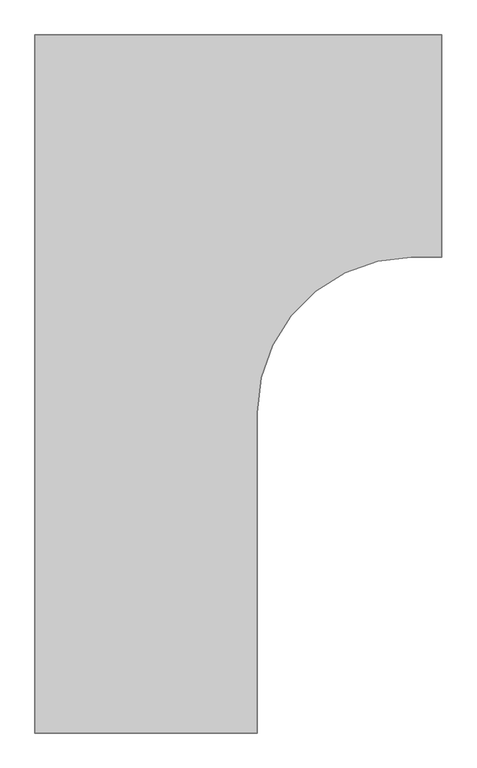
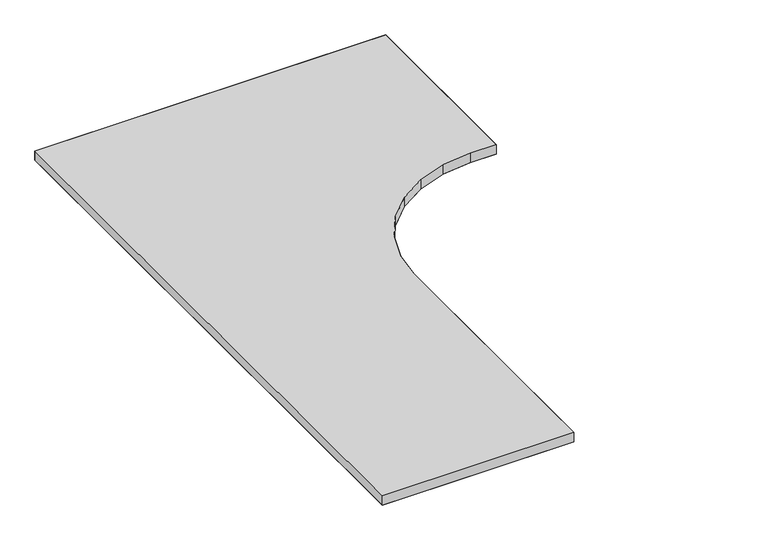
"""IFC4 building model written with IfcOpenShell, lengths in millimetres: furniture geometry."""

from ifc_helpers import new_model, si_unit, origin, place, context, project, spatial, triangles, source, transform, mapped, element, save


def furniture_a078d0db(model_context):
    return source(origin(), model_context, "Body", "Tessellation", [
        triangles([(1.524, -1.524, 725.4240349), (1065.2759651, -1.524, 725.4240349), (1065.2759651, -1.524, 695.5536198), (1.524, -1.524, 695.5536198), (812.7456671, -622.9222246, 695.5536198), (812.7456671, -622.9222246, 725.4240349), (735.68976, -671.3396908, 725.4240349), (735.68976, -671.3396908, 695.5536198), (671.3396908, -735.68976, 725.4240349), (671.3396908, -735.68976, 695.5536198), (986.027968, -582.6759893, 695.5536198), (986.027968, -582.6759893, 725.4240349), (898.6434763, -592.865302, 725.4240349), (898.6434763, -592.865302, 695.5536198), (622.9222246, -812.7456671, 695.5536198), (622.9222246, -812.7456671, 725.4240349), (592.865302, -898.6434763, 725.4240349), (592.865302, -898.6434763, 695.5536198), (582.6759893, -989.0759651, 725.4240349), (582.6759893, -989.0759651, 695.5536198), (1065.2759651, -582.6759893, 695.5536198), (1065.2759651, -582.6759893, 725.4240349), (582.6759893, -1827.2759651, 725.4240349), (582.6759893, -1827.2759651, 695.5536198), (1.524, -1827.2759651, 725.4240349), (1.524, -1827.2759651, 695.5536198)], [[1, 2, 3], [1, 3, 4], [5, 6, 7], [5, 7, 8], [8, 7, 9], [8, 9, 10], [11, 12, 13], [11, 13, 14], [14, 13, 6], [14, 6, 5], [15, 16, 17], [15, 17, 18], [18, 17, 19], [18, 19, 20], [10, 9, 16], [10, 16, 15], [21, 22, 12], [21, 12, 11], [19, 23, 20], [23, 24, 20], [25, 26, 24], [25, 24, 23], [3, 2, 22], [3, 22, 21], [4, 26, 25], [4, 25, 1]], closed=False),
        triangles([(1.524, -1.524, 695.5536198), (812.7456671, -622.9222246, 695.5536198), (735.68976, -671.3396908, 695.5536198), (671.3396908, -735.68976, 695.5536198), (986.027968, -582.6759893, 695.5536198), (898.6434763, -592.865302, 695.5536198), (622.9222246, -812.7456671, 695.5536198), (592.865302, -898.6434763, 695.5536198), (582.6759893, -989.0759651, 695.5536198), (295.147991, -499.8719956, 695.5536198), (1065.2759651, -1.524, 695.5536198), (1065.2759651, -582.6759893, 695.5536198), (582.6759893, -1827.2759651, 695.5536198), (1.524, -1827.2759651, 695.5536198), (735.68976, -671.3396908, 725.4240349), (812.7456671, -622.9222246, 725.4240349), (1.524, -1.524, 725.4240349), (671.3396908, -735.68976, 725.4240349), (898.6434763, -592.865302, 725.4240349), (986.027968, -582.6759893, 725.4240349), (622.9222246, -812.7456671, 725.4240349), (592.865302, -898.6434763, 725.4240349), (582.6759893, -989.0759651, 725.4240349), (295.147991, -499.8719956, 725.4240349), (1065.2759651, -582.6759893, 725.4240349), (1065.2759651, -1.524, 725.4240349), (1.524, -1827.2759651, 725.4240349), (582.6759893, -1827.2759651, 725.4240349)], [[1, 2, 3], [1, 3, 4], [1, 5, 6], [1, 6, 2], [1, 4, 7], [1, 7, 8], [1, 8, 9], [1, 9, 10], [11, 12, 5], [11, 5, 1], [9, 13, 1], [13, 14, 1], [15, 16, 17], [15, 17, 18], [19, 20, 17], [19, 17, 16], [21, 18, 17], [21, 17, 22], [23, 22, 17], [23, 17, 24], [20, 25, 17], [25, 26, 17], [27, 28, 23], [27, 23, 17]], closed=False),
    ])


if __name__ == "__main__":
    model = new_model("IFC4")
    model_context = context("Model", 3, world=origin())
    ifc_project = project(units=[si_unit("LENGTHUNIT", "METRE", prefix="MILLI")], contexts=[model_context])
    site = spatial("IfcSite", under=ifc_project)
    building = spatial("IfcBuilding", under=site)
    placement = place(None, origin())
    furniture_shape = furniture_a078d0db(model_context)
    element("IfcFurniture", 1, at=placement, inside=building, context=model_context, shape_type="MappedRepresentation", body=[
        mapped(furniture_shape, transform((0.0, 0.0, 0.0), x_axis=(1.0, 0.0, 0.0), y_axis=(0.0, 1.0, 0.0), z_axis=(0.0, 0.0, 1.0))),
    ])
    save(model, "model.ifc")
